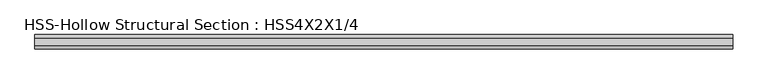
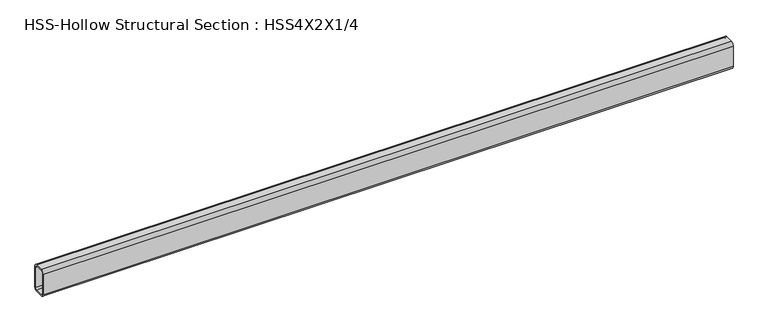
"""IFC4 building model written with IfcOpenShell, lengths in millimetres: beam geometry, HSS-Hollow Structural Section : HSS4X2X1/4."""

from ifc_helpers import new_model, si_unit, point, frame, frame_2d, origin, place, context, project, spatial, polyline, circle_curve, trimmed, segment, composite_curve, outline, extrude, source, transform, mapped, element, save


def hss_hollow_structural_section_hss4x2x1_4_fcde7171(model_context):
    return source(origin(), model_context, "Body", "SweptSolid", [
        extrude(outline(composite_curve([segment(polyline([(25.4, 38.9636), (25.4, -38.9636)]), True, "CONTINUOUS"), segment(trimmed(circle_curve(frame_2d((13.5636, -38.9636)), 11.8364), [point((25.4, -38.9636))], [point((13.5636, -50.8))], False, "CARTESIAN"), True, "CONTINUOUS"), segment(polyline([(13.5636, -50.8), (-13.5636, -50.8)]), True, "CONTINUOUS"), segment(trimmed(circle_curve(frame_2d((-13.5636, -38.9636)), 11.8364), [point((-13.5636, -50.8))], [point((-25.4, -38.9636))], False, "CARTESIAN"), True, "CONTINUOUS"), segment(polyline([(-25.4, -38.9636), (-25.4, 38.9636)]), True, "CONTINUOUS"), segment(trimmed(circle_curve(frame_2d((-13.5636, 38.9636)), 11.8364), [point((-25.4, 38.9636))], [point((-13.5636, 50.8))], False, "CARTESIAN"), True, "CONTINUOUS"), segment(polyline([(-13.5636, 50.8), (13.5636, 50.8)]), True, "CONTINUOUS"), segment(trimmed(circle_curve(frame_2d((13.5636, 38.9636)), 11.8364), [point((13.5636, 50.8))], [point((25.4, 38.9636))], False, "CARTESIAN"), True, "CONTINUOUS")], self_intersect=False), holes=[composite_curve([segment(trimmed(circle_curve(frame_2d((-13.5636, 38.9636)), 5.9182), [point((-13.5636, 44.8818))], [point((-19.4818, 38.9636))], True, "CARTESIAN"), True, "CONTINUOUS"), segment(polyline([(-19.4818, 38.9636), (-19.4818, -38.9636)]), True, "CONTINUOUS"), segment(trimmed(circle_curve(frame_2d((-13.5636, -38.9636)), 5.9182), [point((-19.4818, -38.9636))], [point((-13.5636, -44.8818))], True, "CARTESIAN"), True, "CONTINUOUS"), segment(polyline([(-13.5636, -44.8818), (13.5636, -44.8818)]), True, "CONTINUOUS"), segment(trimmed(circle_curve(frame_2d((13.5636, -38.9636)), 5.9182), [point((13.5636, -44.8818))], [point((19.4818, -38.9636))], True, "CARTESIAN"), True, "CONTINUOUS"), segment(polyline([(19.4818, -38.9636), (19.4818, 38.9636)]), True, "CONTINUOUS"), segment(trimmed(circle_curve(frame_2d((13.5636, 38.9636)), 5.9182), [point((19.4818, 38.9636))], [point((13.5636, 44.8818))], True, "CARTESIAN"), True, "CONTINUOUS"), segment(polyline([(13.5636, 44.8818), (-13.5636, 44.8818)]), True, "CONTINUOUS")], self_intersect=False)]), frame((-1245.743, 0.0, 0.0), z_axis=(1.0, 0.0, 0.0), x_axis=(0.0, 1.0, 0.0)), (0.0, 0.0, 1.0), 2491.486),
    ])


if __name__ == "__main__":
    model = new_model("IFC4")
    model_context = context("Model", 3, world=origin())
    ifc_project = project(units=[si_unit("LENGTHUNIT", "METRE", prefix="MILLI")], contexts=[model_context])
    site = spatial("IfcSite", under=ifc_project)
    building = spatial("IfcBuilding", under=site)
    placement = place(None, origin())
    hss_hollow_structural_section_hss4x2x1_4_shape = hss_hollow_structural_section_hss4x2x1_4_fcde7171(model_context)
    element("IfcBeam", 1, ObjectType="HSS-Hollow Structural Section : HSS4X2X1/4", at=placement, inside=building, context=model_context, shape_type="MappedRepresentation", body=[
        mapped(hss_hollow_structural_section_hss4x2x1_4_shape, transform((0.0, 0.0, 0.0), x_axis=(1.0, 0.0, 0.0), y_axis=(0.0, 1.0, 0.0), z_axis=(0.0, 0.0, 1.0))),
    ])
    save(model, "model.ifc")
